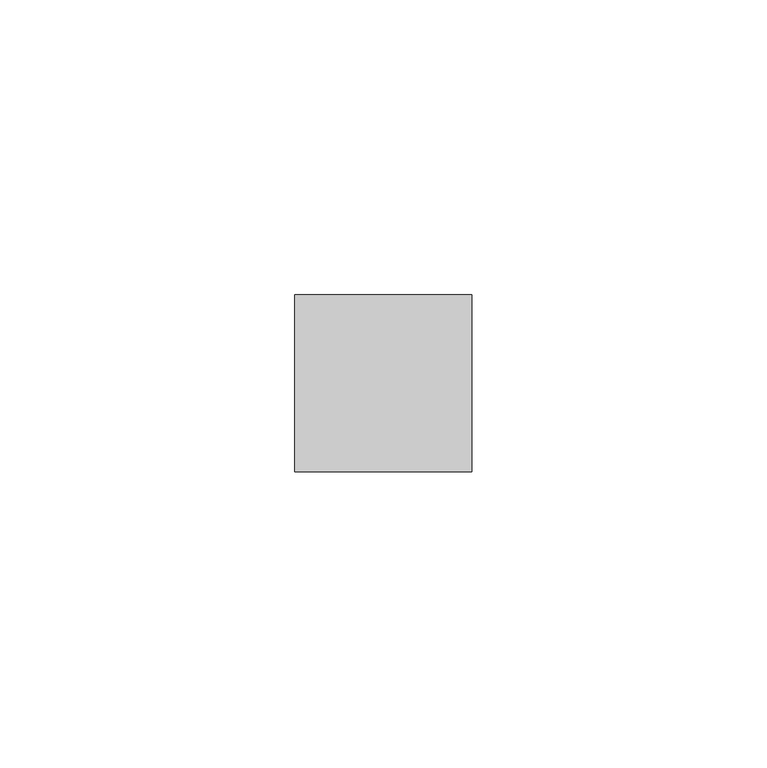
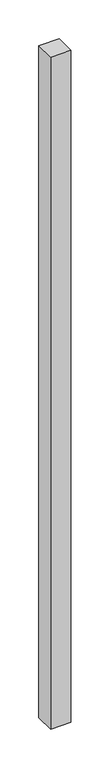
"""IFC4 building model written with IfcOpenShell, lengths in millimetres: member geometry."""

from ifc_helpers import new_model, si_unit, frame, origin, place, context, project, spatial, polyline, outline, extrude, source, transform, mapped, element, save


def member_f2c6a4dd(model_context):
    return source(origin(), model_context, "Body", "SweptSolid", [
        extrude(outline(polyline([(15.0, 15.0), (15.0, -15.0), (-15.0, -15.0), (-15.0, 15.0), (15.0, 15.0)])), frame((0.0, 0.0, -1055.0), z_axis=(0.0, 0.0, 1.0), x_axis=(1.0, 0.0, 0.0)), (0.0, 0.0, 1.0), 1055.0),
    ])


if __name__ == "__main__":
    model = new_model("IFC4")
    model_context = context("Model", 3, world=origin())
    ifc_project = project(units=[si_unit("LENGTHUNIT", "METRE", prefix="MILLI")], contexts=[model_context])
    site = spatial("IfcSite", under=ifc_project)
    building = spatial("IfcBuilding", under=site)
    placement = place(None, origin())
    member_shape = member_f2c6a4dd(model_context)
    element("IfcMember", 1, at=placement, inside=building, context=model_context, shape_type="MappedRepresentation", body=[
        mapped(member_shape, transform((0.0, 0.0, 0.0), x_axis=(1.0, 0.0, 0.0), y_axis=(0.0, 1.0, 0.0), z_axis=(0.0, 0.0, 1.0))),
    ])
    save(model, "model.ifc")
